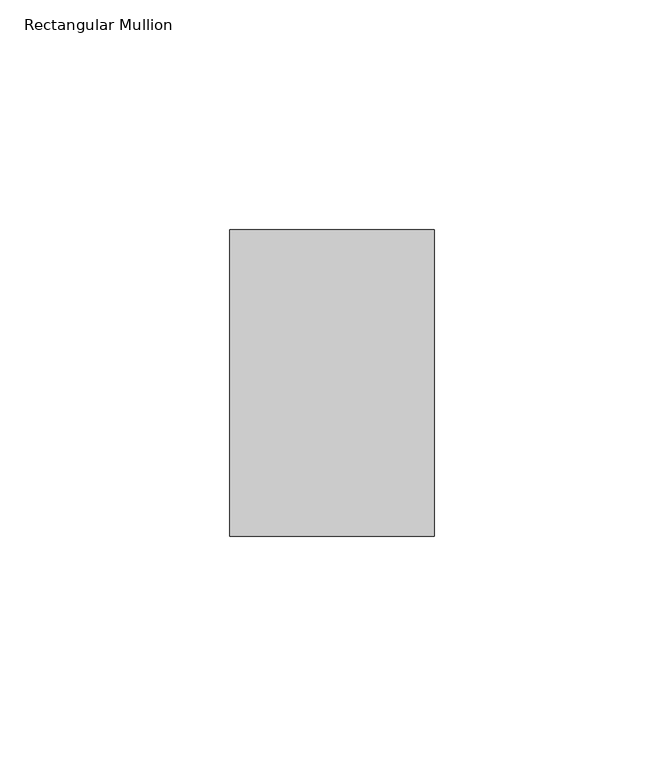
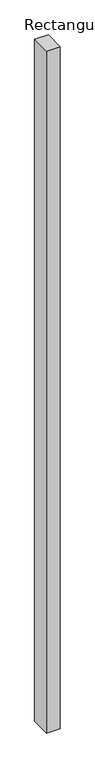
"""IFC4 building model written with IfcOpenShell, lengths in millimetres: member geometry, Rectangular Mullion."""

from ifc_helpers import new_model, si_unit, frame, origin, place, context, project, spatial, polyline, outline, extrude, source, transform, mapped, element, save


def rectangular_mullion_7c1b14c4(model_context):
    return source(origin(), model_context, "Body", "SweptSolid", [
        extrude(outline(polyline([(22.225, 33.3375), (22.225, -33.3375), (-22.225, -33.3375), (-22.225, 33.3375), (22.225, 33.3375)])), frame((0.0, 0.0, -2352.675), z_axis=(0.0, 0.0, 1.0), x_axis=(1.0, 0.0, 0.0)), (0.0, 0.0, 1.0), 2352.675),
    ])


if __name__ == "__main__":
    model = new_model("IFC4")
    model_context = context("Model", 3, world=origin())
    ifc_project = project(units=[si_unit("LENGTHUNIT", "METRE", prefix="MILLI")], contexts=[model_context])
    site = spatial("IfcSite", under=ifc_project)
    building = spatial("IfcBuilding", under=site)
    placement = place(None, origin())
    rectangular_mullion_shape = rectangular_mullion_7c1b14c4(model_context)
    element("IfcMember", 1, ObjectType="Rectangular Mullion", at=placement, inside=building, context=model_context, shape_type="MappedRepresentation", body=[
        mapped(rectangular_mullion_shape, transform((0.0, 0.0, 0.0), x_axis=(1.0, 0.0, 0.0), y_axis=(0.0, 1.0, 0.0), z_axis=(0.0, 0.0, 1.0))),
    ])
    save(model, "model.ifc")
